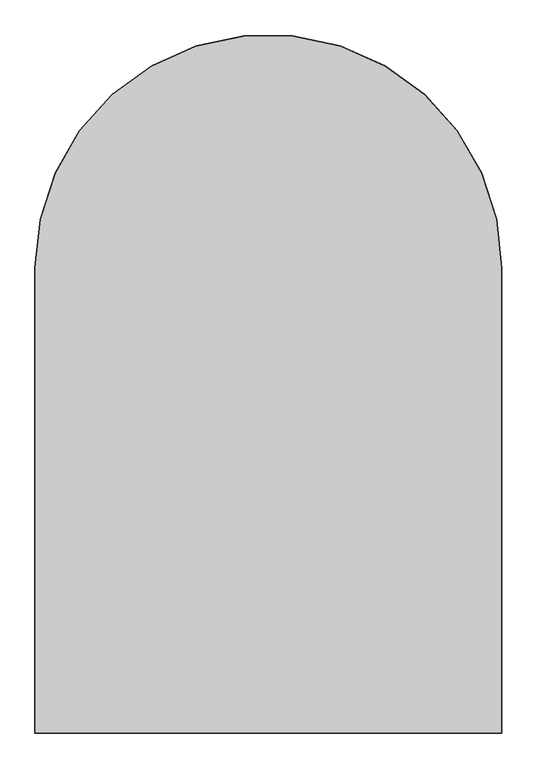
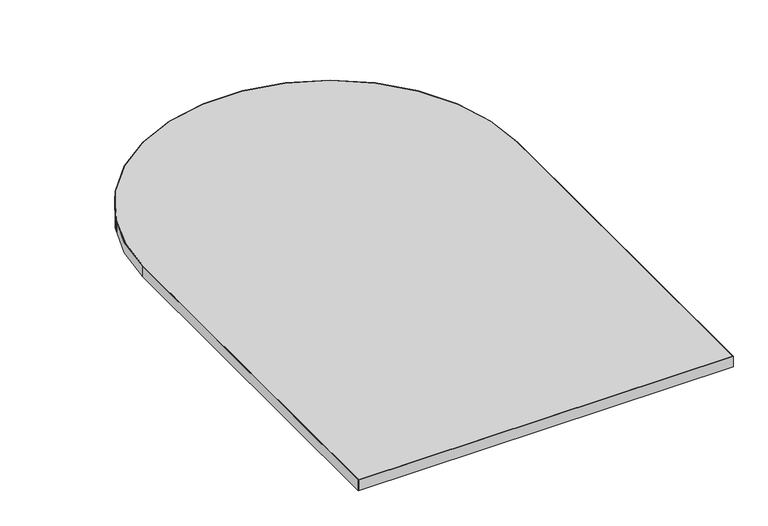
"""IFC4 building model written with IfcOpenShell, lengths in millimetres: furniture geometry."""

from ifc_helpers import new_model, si_unit, point, frame, frame_2d, origin, place, context, project, spatial, polyline, circle_curve, trimmed, segment, composite_curve, outline, extrude, source, transform, mapped, element, save


def furniture_2ab99003(model_context):
    return source(origin(), model_context, "Body", "SweptSolid", [
        extrude(outline(composite_curve([segment(trimmed(circle_curve(frame_2d((457.2, 914.4)), 456.184), [point((1.016, 914.4))], [point((913.384, 914.4))], False, "CARTESIAN"), True, "CONTINUOUS"), segment(polyline([(913.384, 914.4), (913.384, 4.1910001), (1.016, 4.1910001), (1.016, 914.4)]), True, "CONTINUOUS")], self_intersect=False)), frame((0.0, 0.0, 697.2297529), z_axis=(0.0, 0.0, 1.0), x_axis=(1.0, 0.0, 0.0)), (0.0, 0.0, 1.0), 26.924),
        extrude(outline(composite_curve([segment(trimmed(circle_curve(frame_2d((457.2, 914.4)), 457.2), [point((0.0, 914.4))], [point((914.4, 914.4))], False, "CARTESIAN"), True, "CONTINUOUS"), segment(polyline([(914.4, 914.4), (914.4, 3.1750001), (0.0, 3.1750001), (0.0, 914.4)]), True, "CONTINUOUS")], self_intersect=False), holes=[composite_curve([segment(polyline([(1.016, 4.1910001), (913.384, 4.1910001), (913.384, 914.4)]), True, "CONTINUOUS"), segment(trimmed(circle_curve(frame_2d((457.2, 914.4)), 456.184), [point((913.384, 914.4))], [point((1.016, 914.4))], True, "CARTESIAN"), True, "CONTINUOUS"), segment(polyline([(1.016, 914.4), (1.016, 4.1910001)]), True, "CONTINUOUS")], self_intersect=False)]), frame((0.0, 0.0, 697.2297529), z_axis=(0.0, 0.0, 1.0), x_axis=(1.0, 0.0, 0.0)), (0.0, 0.0, 1.0), 26.924),
    ])


if __name__ == "__main__":
    model = new_model("IFC4")
    model_context = context("Model", 3, world=origin())
    ifc_project = project(units=[si_unit("LENGTHUNIT", "METRE", prefix="MILLI")], contexts=[model_context])
    site = spatial("IfcSite", under=ifc_project)
    building = spatial("IfcBuilding", under=site)
    placement = place(None, origin())
    furniture_shape = furniture_2ab99003(model_context)
    element("IfcFurniture", 1, at=placement, inside=building, context=model_context, shape_type="MappedRepresentation", body=[
        mapped(furniture_shape, transform((0.0, 0.0, 0.0), x_axis=(1.0, 0.0, 0.0), y_axis=(0.0, 1.0, 0.0), z_axis=(0.0, 0.0, 1.0))),
    ])
    save(model, "model.ifc")
